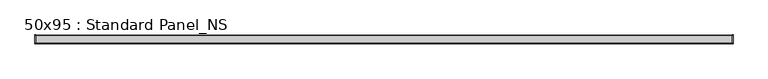
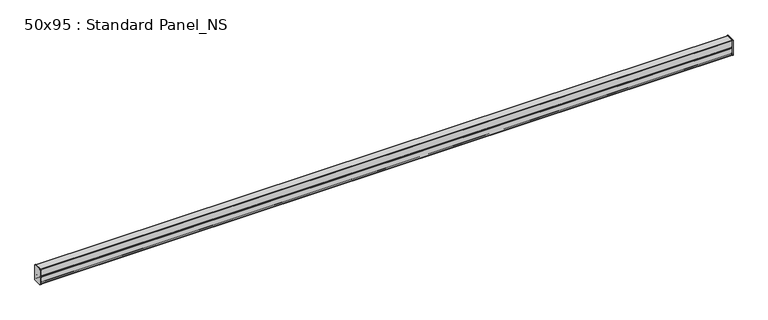
"""IFC4 building model written with IfcOpenShell, lengths in millimetres: proxy geometry, 50x95 : Standard Panel_NS."""

from ifc_helpers import new_model, si_unit, point, frame, frame_2d, origin, place, context, project, spatial, polyline, circle_curve, trimmed, segment, composite_curve, outline, extrude, source, transform, mapped, element, save


def proxy_50x95_standard_panel_ns_93c27d85(model_context):
    return source(origin(), model_context, "Body", "SweptSolid", [
        extrude(outline(composite_curve([segment(polyline([(-23.35, 97.0), (23.35, 97.0)]), True, "CONTINUOUS"), segment(trimmed(circle_curve(frame_2d((23.35, 93.35)), 3.65), [point((23.35, 97.0))], [point((27.0, 93.35))], False, "CARTESIAN"), True, "CONTINUOUS"), segment(polyline([(27.0, 93.35), (27.0, 1.65)]), True, "CONTINUOUS"), segment(trimmed(circle_curve(frame_2d((23.35, 1.65)), 3.65), [point((27.0, 1.65))], [point((23.35, -2.0))], False, "CARTESIAN"), True, "CONTINUOUS"), segment(polyline([(23.35, -2.0), (-23.35, -2.0)]), True, "CONTINUOUS"), segment(trimmed(circle_curve(frame_2d((-23.35, 1.65)), 3.65), [point((-23.35, -2.0))], [point((-27.0, 1.65))], False, "CARTESIAN"), True, "CONTINUOUS"), segment(polyline([(-27.0, 1.65), (-27.0, 93.35)]), True, "CONTINUOUS"), segment(trimmed(circle_curve(frame_2d((-23.35, 93.35)), 3.65), [point((-27.0, 93.35))], [point((-23.35, 97.0))], False, "CARTESIAN"), True, "CONTINUOUS")], self_intersect=False)), frame((4200.0, 0.0, 0.0), z_axis=(1.0, 0.0, 0.0), x_axis=(0.0, 1.0, 0.0)), (0.0, 0.0, 1.0), 4.0),
        extrude(outline(composite_curve([segment(trimmed(circle_curve(frame_2d((23.35, 93.35)), 3.65), [point((23.35, 97.0))], [point((27.0, 93.35))], False, "CARTESIAN"), True, "CONTINUOUS"), segment(polyline([(27.0, 93.35), (27.0, 1.65)]), True, "CONTINUOUS"), segment(trimmed(circle_curve(frame_2d((23.35, 1.65)), 3.65), [point((27.0, 1.65))], [point((23.35, -2.0))], False, "CARTESIAN"), True, "CONTINUOUS"), segment(polyline([(23.35, -2.0), (-23.35, -2.0)]), True, "CONTINUOUS"), segment(trimmed(circle_curve(frame_2d((-23.35, 1.65)), 3.65), [point((-23.35, -2.0))], [point((-27.0, 1.65))], False, "CARTESIAN"), True, "CONTINUOUS"), segment(polyline([(-27.0, 1.65), (-27.0, 93.35)]), True, "CONTINUOUS"), segment(trimmed(circle_curve(frame_2d((-23.35, 93.35)), 3.65), [point((-27.0, 93.35))], [point((-23.35, 97.0))], False, "CARTESIAN"), True, "CONTINUOUS"), segment(polyline([(-23.35, 97.0), (23.35, 97.0)]), True, "CONTINUOUS")], self_intersect=False)), frame((-4.0, 0.0, 0.0), z_axis=(1.0, 0.0, 0.0), x_axis=(0.0, 1.0, 0.0)), (0.0, 0.0, 1.0), 4.0),
        extrude(outline(composite_curve([segment(trimmed(circle_curve(frame_2d((-21.6428932, 26.5181891)), 1.65), [point((-23.2928932, 26.5181891))], [point((-22.8096194, 27.6849153))], False, "CARTESIAN"), True, "CONTINUOUS"), segment(polyline([(-22.8096194, 27.6849153), (-13.1862915, 37.3082432)]), True, "CONTINUOUS"), segment(trimmed(circle_curve(frame_2d((-13.8933983, 38.01535)), 1.0), [point((-13.1862915, 37.3082432))], [point((-13.1862915, 38.7224567))], True, "CARTESIAN"), True, "CONTINUOUS"), segment(polyline([(-13.1862915, 38.7224567), (-24.5167262, 50.0528914)]), True, "CONTINUOUS"), segment(trimmed(circle_curve(frame_2d((-23.35, 51.2196176)), 1.65), [point((-24.5167262, 50.0528914))], [point((-25.0, 51.2196176))], False, "CARTESIAN"), True, "CONTINUOUS"), segment(polyline([(-25.0, 51.2196176), (-25.0, 93.4713203)]), True, "CONTINUOUS"), segment(trimmed(circle_curve(frame_2d((-23.35, 93.4713203)), 1.65), [point((-25.0, 93.4713203))], [point((-23.35, 95.1213203))], False, "CARTESIAN"), True, "CONTINUOUS"), segment(polyline([(-23.35, 95.1213203), (23.35, 95.1213203)]), True, "CONTINUOUS"), segment(trimmed(circle_curve(frame_2d((23.35, 93.4713203)), 1.65), [point((23.35, 95.1213203))], [point((25.0, 93.4713203))], False, "CARTESIAN"), True, "CONTINUOUS"), segment(polyline([(25.0, 93.4713203), (25.0, 51.2196176)]), True, "CONTINUOUS"), segment(trimmed(circle_curve(frame_2d((23.35, 51.2196176)), 1.65), [point((25.0, 51.2196176))], [point((24.5167262, 50.0528914))], False, "CARTESIAN"), True, "CONTINUOUS"), segment(polyline([(24.5167262, 50.0528914), (13.1862915, 38.7224567)]), True, "CONTINUOUS"), segment(trimmed(circle_curve(frame_2d((13.8933983, 38.01535)), 1.0), [point((13.1862915, 38.7224567))], [point((13.1862915, 37.3082432))], True, "CARTESIAN"), True, "CONTINUOUS"), segment(polyline([(13.1862915, 37.3082432), (22.8096194, 27.6849153)]), True, "CONTINUOUS"), segment(trimmed(circle_curve(frame_2d((21.6428932, 26.5181891)), 1.65), [point((22.8096194, 27.6849153))], [point((23.2928932, 26.5181891))], False, "CARTESIAN"), True, "CONTINUOUS"), segment(polyline([(23.2928932, 26.5181891), (23.2928932, 10.786798)]), True, "CONTINUOUS"), segment(trimmed(circle_curve(frame_2d((21.7928932, 10.786798)), 1.5), [point((23.2928932, 10.786798))], [point((20.2928932, 10.786798))], False, "CARTESIAN"), True, "CONTINUOUS"), segment(polyline([(20.2928932, 10.786798), (20.2928932, 19.286798), (21.2928932, 19.286798), (21.2928932, 10.786798)]), True, "CONTINUOUS"), segment(trimmed(circle_curve(frame_2d((21.7928932, 10.786798)), 0.5), [point((21.2928932, 10.786798))], [point((22.2928932, 10.786798))], True, "CARTESIAN"), True, "CONTINUOUS"), segment(polyline([(22.2928932, 10.786798), (22.2928932, 26.7874279), (12.4741595, 36.6061616)]), True, "CONTINUOUS"), segment(trimmed(circle_curve(frame_2d((13.888373, 38.0203752)), 2.0), [point((12.4741595, 36.6061616))], [point((12.4741595, 39.4345888))], False, "CARTESIAN"), True, "CONTINUOUS"), segment(polyline([(12.4741595, 39.4345888), (24.0, 50.9604293), (24.0, 93.4713203)]), True, "CONTINUOUS"), segment(trimmed(circle_curve(frame_2d((23.35, 93.4713203)), 0.65), [point((24.0, 93.4713203))], [point((23.35, 94.1213203))], True, "CARTESIAN"), True, "CONTINUOUS"), segment(polyline([(23.35, 94.1213203), (-23.35, 94.1213203)]), True, "CONTINUOUS"), segment(trimmed(circle_curve(frame_2d((-23.35, 93.4713203)), 0.65), [point((-23.35, 94.1213203))], [point((-24.0, 93.4713203))], True, "CARTESIAN"), True, "CONTINUOUS"), segment(polyline([(-24.0, 93.4713203), (-24.0, 50.9604293), (-12.4741595, 39.4345888)]), True, "CONTINUOUS"), segment(trimmed(circle_curve(frame_2d((-13.888373, 38.0203752)), 2.0), [point((-12.4741595, 39.4345888))], [point((-12.4741595, 36.6061616))], False, "CARTESIAN"), True, "CONTINUOUS"), segment(polyline([(-12.4741595, 36.6061616), (-22.2928932, 26.7874279), (-22.2928932, 10.786798)]), True, "CONTINUOUS"), segment(trimmed(circle_curve(frame_2d((-21.7928932, 10.786798)), 0.5), [point((-22.2928932, 10.786798))], [point((-21.2928932, 10.786798))], True, "CARTESIAN"), True, "CONTINUOUS"), segment(polyline([(-21.2928932, 10.786798), (-21.2928932, 19.286798), (-20.2928932, 19.286798), (-20.2928932, 10.786798)]), True, "CONTINUOUS"), segment(trimmed(circle_curve(frame_2d((-21.7928932, 10.786798)), 1.5), [point((-20.2928932, 10.786798))], [point((-23.2928932, 10.786798))], False, "CARTESIAN"), True, "CONTINUOUS"), segment(polyline([(-23.2928932, 10.786798), (-23.2928932, 26.5181891)]), True, "CONTINUOUS")], self_intersect=False)), frame((0.0, 0.0, 0.0), z_axis=(1.0, 0.0, 0.0), x_axis=(0.0, 1.0, 0.0)), (0.0, 0.0, 1.0), 4200.0),
        extrude(outline(composite_curve([segment(trimmed(circle_curve(frame_2d((23.5, 45.5)), 1.5), [point((22.0, 45.5))], [point((25.0, 45.5))], False, "CARTESIAN"), True, "CONTINUOUS"), segment(polyline([(25.0, 45.5), (25.0, 1.65)]), True, "CONTINUOUS"), segment(trimmed(circle_curve(frame_2d((23.35, 1.65)), 1.65), [point((25.0, 1.65))], [point((23.35, 0.0))], False, "CARTESIAN"), True, "CONTINUOUS"), segment(polyline([(23.35, 0.0), (-23.35, 0.0)]), True, "CONTINUOUS"), segment(trimmed(circle_curve(frame_2d((-23.35, 1.65)), 1.65), [point((-23.35, 0.0))], [point((-25.0, 1.65))], False, "CARTESIAN"), True, "CONTINUOUS"), segment(polyline([(-25.0, 1.65), (-25.0, 45.5)]), True, "CONTINUOUS"), segment(trimmed(circle_curve(frame_2d((-23.5, 45.5)), 1.5), [point((-25.0, 45.5))], [point((-22.0, 45.5))], False, "CARTESIAN"), True, "CONTINUOUS"), segment(polyline([(-22.0, 45.5), (-22.0, 32.0), (-23.0, 32.0), (-23.0, 45.5)]), True, "CONTINUOUS"), segment(trimmed(circle_curve(frame_2d((-23.5, 45.5)), 0.5), [point((-23.0, 45.5))], [point((-24.0, 45.5))], True, "CARTESIAN"), True, "CONTINUOUS"), segment(polyline([(-24.0, 45.5), (-24.0, 1.65)]), True, "CONTINUOUS"), segment(trimmed(circle_curve(frame_2d((-23.35, 1.65)), 0.65), [point((-24.0, 1.65))], [point((-23.35, 1.0))], True, "CARTESIAN"), True, "CONTINUOUS"), segment(polyline([(-23.35, 1.0), (23.35, 1.0)]), True, "CONTINUOUS"), segment(trimmed(circle_curve(frame_2d((23.35, 1.65)), 0.65), [point((23.35, 1.0))], [point((24.0, 1.65))], True, "CARTESIAN"), True, "CONTINUOUS"), segment(polyline([(24.0, 1.65), (24.0, 45.5)]), True, "CONTINUOUS"), segment(trimmed(circle_curve(frame_2d((23.5, 45.5)), 0.5), [point((24.0, 45.5))], [point((23.0, 45.5))], True, "CARTESIAN"), True, "CONTINUOUS"), segment(polyline([(23.0, 45.5), (23.0, 32.0), (22.0, 32.0), (22.0, 45.5)]), True, "CONTINUOUS")], self_intersect=False)), frame((0.0, 0.0, 0.0), z_axis=(1.0, 0.0, 0.0), x_axis=(0.0, 1.0, 0.0)), (0.0, 0.0, 1.0), 4200.0),
    ])


if __name__ == "__main__":
    model = new_model("IFC4")
    model_context = context("Model", 3, world=origin())
    ifc_project = project(units=[si_unit("LENGTHUNIT", "METRE", prefix="MILLI")], contexts=[model_context])
    site = spatial("IfcSite", under=ifc_project)
    building = spatial("IfcBuilding", under=site)
    placement = place(None, origin())
    proxy_50x95_standard_panel_ns_shape = proxy_50x95_standard_panel_ns_93c27d85(model_context)
    element("IfcBuildingElementProxy", 1, Name="50x95 : Standard Panel_NS", ObjectType="50x95 : Standard Panel_NS", at=placement, inside=building, context=model_context, shape_type="MappedRepresentation", body=[
        mapped(proxy_50x95_standard_panel_ns_shape, transform((0.0, 0.0, 0.0), x_axis=(1.0, 0.0, 0.0), y_axis=(0.0, 1.0, 0.0), z_axis=(0.0, 0.0, 1.0))),
    ])
    save(model, "model.ifc")
